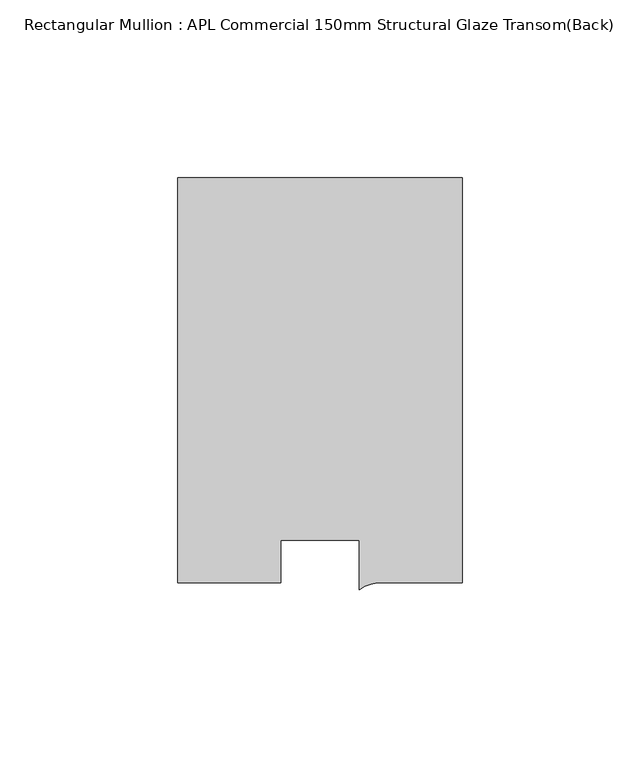
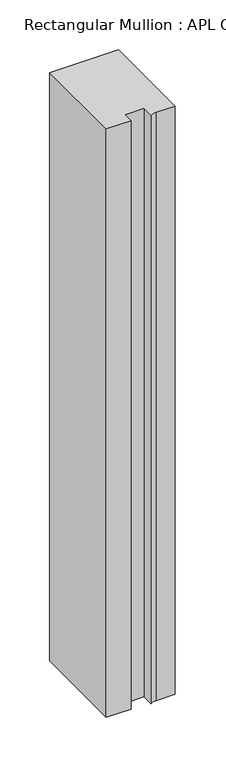
"""IFC4 building model written with IfcOpenShell, lengths in millimetres: member geometry, Rectangular Mullion : APL Commercial 150mm Structural Glaze Transom(Back)."""

from ifc_helpers import new_model, si_unit, point, frame, frame_2d, origin, place, context, project, spatial, polyline, circle_curve, trimmed, segment, composite_curve, outline, extrude, source, transform, mapped, element, save


def rectangular_mullion_apl_commercial_150mm_structural_glaze_1c4225fc(model_context):
    return source(origin(), model_context, "Body", "SweptSolid", [
        extrude(outline(composite_curve([segment(polyline([(40.0, 128.9999975), (40.0, 15.0000829), (17.9999542, 15.0000829)]), True, "CONTINUOUS"), segment(trimmed(circle_curve(frame_2d((17.1097719, 4.581653)), 10.4563907), [point((17.9999542, 15.0000829))], [point((11.0000151, 13.0673455))], True, "CARTESIAN"), True, "CONTINUOUS"), segment(polyline([(11.0000151, 13.0673455), (11.0000151, 27.0), (-11.0000151, 27.0), (-11.0000151, 15.0000829), (-40.0, 15.0000829), (-40.0, 128.9999975), (40.0, 128.9999975)]), True, "CONTINUOUS")], self_intersect=False)), frame((0.0, 0.0, -722.1422708), z_axis=(0.0, 0.0, 1.0), x_axis=(1.0, 0.0, 0.0)), (0.0, 0.0, 1.0), 722.1422708),
    ])


if __name__ == "__main__":
    model = new_model("IFC4")
    model_context = context("Model", 3, world=origin())
    ifc_project = project(units=[si_unit("LENGTHUNIT", "METRE", prefix="MILLI")], contexts=[model_context])
    site = spatial("IfcSite", under=ifc_project)
    building = spatial("IfcBuilding", under=site)
    placement = place(None, origin())
    rectangular_mullion_apl_commercial_150mm_structural_glaze_shape = rectangular_mullion_apl_commercial_150mm_structural_glaze_1c4225fc(model_context)
    element("IfcMember", 1, ObjectType="Rectangular Mullion : APL Commercial 150mm Structural Glaze Transom(Back)", at=placement, inside=building, context=model_context, shape_type="MappedRepresentation", body=[
        mapped(rectangular_mullion_apl_commercial_150mm_structural_glaze_shape, transform((0.0, 0.0, 0.0), x_axis=(1.0, 0.0, 0.0), y_axis=(0.0, 1.0, 0.0), z_axis=(0.0, 0.0, 1.0))),
    ])
    save(model, "model.ifc")
